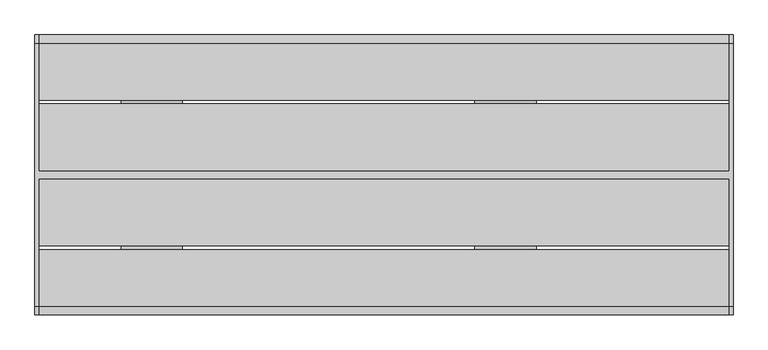
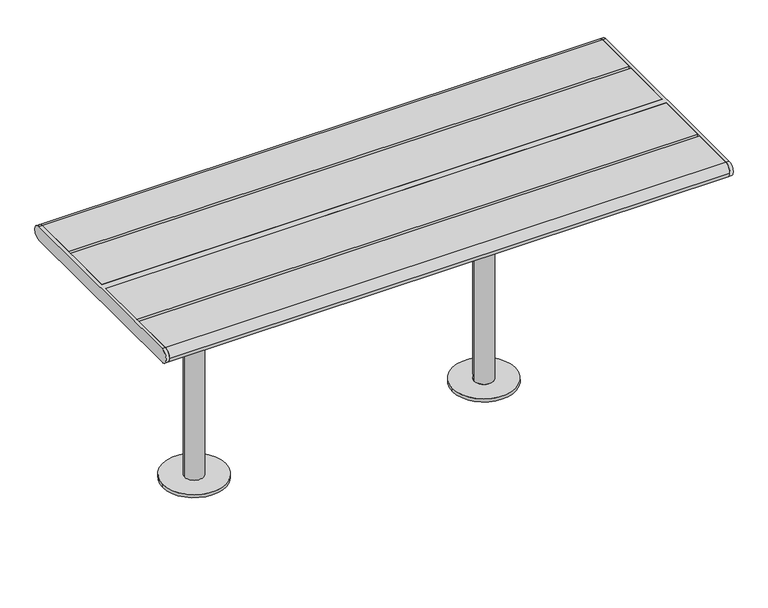
"""IFC4 building model written with IfcOpenShell, lengths in millimetres: furniture geometry."""

from ifc_helpers import new_model, si_unit, point, frame, frame_2d, origin, place, context, project, spatial, polyline, circle_curve, trimmed, segment, composite_curve, outline, extrude, source, transform, mapped, element, save
from ifc_brep_helpers import plane_surface, cylinder_surface, advanced_brep


def furniture_6cbde0df(model_context):
    return source(origin(), model_context, "Body", "SolidModel", [
        advanced_brep(
        [(534.9914087, 125.0, 687.0), (534.9914087, 299.0, 687.0), (534.9914087, 299.0, 695.0), (534.9914087, -299.0, 695.0), (534.9914087, -299.0, 687.0), (534.9914087, -125.0, 687.0), (534.9914087, -125.0, 679.0), (534.9914087, 125.0, 679.0), (384.9914087, 125.0, 687.0), (384.9914087, 299.0, 687.0), (376.9914087, 299.0, 687.0), (376.9914087, 299.0, 695.0), (376.9914087, -299.0, 695.0), (376.9914087, -299.0, 687.0), (384.9914087, -299.0, 687.0), (384.9914087, -125.0, 687.0), (384.9914087, -125.0, 679.0), (384.9914087, 125.0, 679.0), (489.9914087, 0.0, 679.0), (429.9914087, 0.0, 679.0), (376.9914087, 45.0, 644.0), (376.9914087, -45.0, 644.0), (384.9914087, 45.0, 644.0), (384.9914087, -45.0, 644.0), (429.9914087, 0.0, 10.0), (489.9914087, 0.0, 10.0), (559.9914087, 0.0, 10.0), (359.9914087, 0.0, 10.0), (559.9914087, 0.0, 0.0), (359.9914087, 0.0, 0.0)],
        [
            (0, 1),
            (1, 2),
            (2, 3),
            (3, 4),
            (4, 5),
            (5, 6),
            (6, 7),
            (7, 0),
            (0, 8),
            (8, 9),
            (9, 1),
            (9, 10),
            (10, 11),
            (11, 2),
            (11, 12),
            (12, 3),
            (12, 13),
            (13, 14),
            (14, 4),
            (14, 15),
            (15, 5),
            (15, 16),
            (16, 6),
            (16, 17),
            (17, 7),
            (18, 19, circle_curve(frame((459.9914087, 0.0, 679.0), z_axis=(0.0, 0.0, 1.0), x_axis=(-1.0, 0.0, 0.0)), 30.0)),
            (19, 18, circle_curve(frame((459.9914087, 0.0, 679.0), z_axis=(0.0, 0.0, 1.0), x_axis=(-1.0, 0.0, 0.0)), 30.0)),
            (17, 8),
            (20, 21),
            (21, 13),
            (10, 20),
            (22, 9),
            (14, 23),
            (23, 22),
            (22, 20),
            (21, 23),
            (19, 24),
            (24, 25, circle_curve(frame((459.9914087, 0.0, 10.0), z_axis=(0.0, 0.0, 1.0), x_axis=(-1.0, 0.0, 0.0)), 30.0)),
            (25, 18),
            (25, 24, circle_curve(frame((459.9914087, 0.0, 10.0), z_axis=(0.0, 0.0, 1.0), x_axis=(-1.0, 0.0, 0.0)), 30.0)),
            (26, 27, circle_curve(frame((459.9914087, 0.0, 10.0), z_axis=(0.0, 0.0, 1.0), x_axis=(-1.0, 0.0, 0.0)), 100.0)),
            (27, 26, circle_curve(frame((459.9914087, 0.0, 10.0), z_axis=(0.0, 0.0, 1.0), x_axis=(-1.0, 0.0, 0.0)), 100.0)),
            (28, 29, circle_curve(frame((459.9914087, 0.0, 0.0), z_axis=(0.0, 0.0, -1.0), x_axis=(-1.0, 0.0, 0.0)), 100.0)),
            (29, 28, circle_curve(frame((459.9914087, 0.0, 0.0), z_axis=(0.0, 0.0, -1.0), x_axis=(-1.0, 0.0, 0.0)), 100.0)),
            (27, 29),
            (28, 26),
        ],
        [
            plane_surface(frame((534.9914087, 299.0, 687.0), z_axis=(1.0, 0.0, 0.0), x_axis=(0.0, -1.0, 0.0))),
            plane_surface(frame((384.9914087, 125.0, 687.0), z_axis=(0.0, 0.0, -1.0), x_axis=(1.0, 0.0, 0.0))),
            plane_surface(frame((384.9914087, 299.0, 687.0), z_axis=(0.0, 1.0, 0.0), x_axis=(1.0, 0.0, 0.0))),
            plane_surface(frame((384.9914087, 299.0, 695.0), z_axis=(0.0, 0.0, 1.0), x_axis=(1.0, 0.0, 0.0))),
            plane_surface(frame((384.9914087, -299.0, 695.0), z_axis=(0.0, -1.0, 0.0), x_axis=(1.0, 0.0, 0.0))),
            plane_surface(frame((384.9914087, -299.0, 687.0), z_axis=(0.0, 0.0, -1.0), x_axis=(1.0, 0.0, 0.0))),
            plane_surface(frame((384.9914087, -125.0, 687.0), z_axis=(0.0, -1.0, 0.0), x_axis=(1.0, 0.0, 0.0))),
            plane_surface(frame((384.9914087, -125.0, 679.0), z_axis=(0.0, 0.0, -1.0), x_axis=(1.0, 0.0, 0.0))),
            plane_surface(frame((384.9914087, 125.0, 679.0), z_axis=(0.0, 1.0, 0.0), x_axis=(1.0, 0.0, 0.0))),
            plane_surface(frame((376.9914087, 299.0, 687.0), z_axis=(-1.0, 0.0, 0.0), x_axis=(0.0, 0.9859710587294898, 0.1669163603360949))),
            plane_surface(frame((384.9914087, 299.0, 687.0), z_axis=(1.0, 0.0, 0.0), x_axis=(0.0, -0.9859710587294898, -0.1669163603360949))),
            plane_surface(frame((376.9914087, 45.0, 644.0), z_axis=(0.0, 0.1669163603360949, -0.9859710587294898), x_axis=(1.0, 0.0, 0.0))),
            plane_surface(frame((376.9914087, -299.0, 687.0), z_axis=(0.0, -0.16691636033609472, -0.9859710587294899), x_axis=(1.0, 0.0, 0.0))),
            plane_surface(frame((376.9914087, -45.0, 644.0), z_axis=(0.0, 0.0, -1.0), x_axis=(1.0, 0.0, 0.0))),
            cylinder_surface(frame((459.9914087, 0.0, 10.0), z_axis=(0.0, 0.0, 1.0), x_axis=(-1.0, 0.0, 0.0)), 30.0),
            plane_surface(frame((359.9914087, 0.0, 10.0), z_axis=(0.0, 0.0, 1.0), x_axis=(0.0, 1.0, 0.0))),
            plane_surface(frame((359.9914087, 0.0, 0.0), z_axis=(0.0, 0.0, -1.0), x_axis=(0.0, -1.0, 0.0))),
            cylinder_surface(frame((459.9914087, 0.0, 0.0), z_axis=(0.0, 0.0, 1.0), x_axis=(-1.0, 0.0, 0.0)), 100.0),
        ],
        [
            (0, [[1, 2, 3, 4, 5, 6, 7, 8]]),
            (1, [[9, 10, 11, -1]]),
            (2, [[-11, 12, 13, 14, -2]]),
            (3, [[-14, 15, 16, -3]]),
            (4, [[-16, 17, 18, 19, -4]]),
            (5, [[-19, 20, 21, -5]]),
            (6, [[-21, 22, 23, -6]]),
            (7, [[-23, 24, 25, -7], [26, 27]]),
            (8, [[-25, 28, -9, -8]]),
            (9, [[29, 30, -17, -15, -13, 31]]),
            (10, [[32, -10, -28, -24, -22, -20, 33, 34]]),
            (11, [[-12, -32, 35, -31]]),
            (12, [[36, -33, -18, -30]]),
            (13, [[-35, -34, -36, -29]]),
            (14, [[-27, 37, 38, 39]]),
            (14, [[40, -37, -26, -39]]),
            (15, [[41, 42], [-40, -38]]),
            (16, [[43, 44]]),
            (17, [[45, -43, 46, -42]]),
            (17, [[-46, -44, -45, -41]]),
        ],
    ),
        advanced_brep(
        [(-534.9914087, 125.0, 687.0), (-534.9914087, 125.0, 679.0), (-534.9914087, -125.0, 679.0), (-534.9914087, -125.0, 687.0), (-534.9914087, -299.0, 687.0), (-534.9914087, -299.0, 695.0), (-534.9914087, 299.0, 695.0), (-534.9914087, 299.0, 687.0), (-384.9914087, 299.0, 687.0), (-384.9914087, 125.0, 687.0), (-376.9914087, 299.0, 695.0), (-376.9914087, 299.0, 687.0), (-376.9914087, -299.0, 695.0), (-384.9914087, -299.0, 687.0), (-376.9914087, -299.0, 687.0), (-384.9914087, -125.0, 687.0), (-384.9914087, -125.0, 679.0), (-384.9914087, 125.0, 679.0), (-489.9914087, 0.0, 679.0), (-429.9914087, 0.0, 679.0), (-376.9914087, 45.0, 644.0), (-376.9914087, -45.0, 644.0), (-384.9914087, 45.0, 644.0), (-384.9914087, -45.0, 644.0), (-489.9914087, 0.0, 10.0), (-429.9914087, 0.0, 10.0), (-559.9914087, 0.0, 10.0), (-359.9914087, 0.0, 10.0), (-559.9914087, 0.0, 0.0), (-359.9914087, 0.0, 0.0)],
        [
            (0, 1),
            (1, 2),
            (2, 3),
            (3, 4),
            (4, 5),
            (5, 6),
            (6, 7),
            (7, 0),
            (7, 8),
            (8, 9),
            (9, 0),
            (6, 10),
            (10, 11),
            (11, 8),
            (5, 12),
            (12, 10),
            (4, 13),
            (13, 14),
            (14, 12),
            (3, 15),
            (15, 13),
            (2, 16),
            (16, 15),
            (1, 17),
            (17, 16),
            (18, 19, circle_curve(frame((-459.9914087, 0.0, 679.0), z_axis=(0.0, 0.0, 1.0), x_axis=(1.0, 0.0, 0.0)), 30.0)),
            (19, 18, circle_curve(frame((-459.9914087, 0.0, 679.0), z_axis=(0.0, 0.0, 1.0), x_axis=(1.0, 0.0, 0.0)), 30.0)),
            (9, 17),
            (20, 11),
            (14, 21),
            (21, 20),
            (22, 23),
            (23, 13),
            (8, 22),
            (20, 22),
            (23, 21),
            (18, 24),
            (24, 25, circle_curve(frame((-459.9914087, 0.0, 10.0), z_axis=(0.0, 0.0, 1.0), x_axis=(1.0, 0.0, 0.0)), 30.0)),
            (25, 19),
            (25, 24, circle_curve(frame((-459.9914087, 0.0, 10.0), z_axis=(0.0, 0.0, 1.0), x_axis=(1.0, 0.0, 0.0)), 30.0)),
            (26, 27, circle_curve(frame((-459.9914087, 0.0, 10.0), z_axis=(0.0, 0.0, 1.0), x_axis=(1.0, 0.0, 0.0)), 100.0)),
            (27, 26, circle_curve(frame((-459.9914087, 0.0, 10.0), z_axis=(0.0, 0.0, 1.0), x_axis=(1.0, 0.0, 0.0)), 100.0)),
            (28, 29, circle_curve(frame((-459.9914087, 0.0, 0.0), z_axis=(0.0, 0.0, -1.0), x_axis=(1.0, 0.0, 0.0)), 100.0)),
            (29, 28, circle_curve(frame((-459.9914087, 0.0, 0.0), z_axis=(0.0, 0.0, -1.0), x_axis=(1.0, 0.0, 0.0)), 100.0)),
            (26, 28),
            (29, 27),
        ],
        [
            plane_surface(frame((-534.9914087, 299.0, 687.0), z_axis=(-1.0, 0.0, 0.0), x_axis=(0.0, -1.0, 0.0))),
            plane_surface(frame((-384.9914087, 125.0, 687.0), z_axis=(0.0, 0.0, -1.0), x_axis=(-1.0, 0.0, 0.0))),
            plane_surface(frame((-384.9914087, 299.0, 687.0), z_axis=(0.0, 1.0, 0.0), x_axis=(-1.0, 0.0, 0.0))),
            plane_surface(frame((-384.9914087, 299.0, 695.0), z_axis=(0.0, 0.0, 1.0), x_axis=(-1.0, 0.0, 0.0))),
            plane_surface(frame((-384.9914087, -299.0, 695.0), z_axis=(0.0, -1.0, 0.0), x_axis=(-1.0, 0.0, 0.0))),
            plane_surface(frame((-384.9914087, -299.0, 687.0), z_axis=(0.0, 0.0, -1.0), x_axis=(-1.0, 0.0, 0.0))),
            plane_surface(frame((-384.9914087, -125.0, 687.0), z_axis=(0.0, -1.0, 0.0), x_axis=(-1.0, 0.0, 0.0))),
            plane_surface(frame((-384.9914087, -125.0, 679.0), z_axis=(0.0, 0.0, -1.0), x_axis=(-1.0, 0.0, 0.0))),
            plane_surface(frame((-384.9914087, 125.0, 679.0), z_axis=(0.0, 1.0, 0.0), x_axis=(-1.0, 0.0, 0.0))),
            plane_surface(frame((-376.9914087, 299.0, 687.0), z_axis=(1.0, 0.0, 0.0), x_axis=(0.0, 0.9859710587294898, 0.1669163603360949))),
            plane_surface(frame((-384.9914087, 299.0, 687.0), z_axis=(-1.0, 0.0, 0.0), x_axis=(0.0, -0.9859710587294898, -0.1669163603360949))),
            plane_surface(frame((-376.9914087, 45.0, 644.0), z_axis=(0.0, 0.1669163603360949, -0.9859710587294898), x_axis=(-1.0, 0.0, 0.0))),
            plane_surface(frame((-376.9914087, -299.0, 687.0), z_axis=(0.0, -0.16691636033609472, -0.9859710587294899), x_axis=(-1.0, 0.0, 0.0))),
            plane_surface(frame((-376.9914087, -45.0, 644.0), z_axis=(0.0, 0.0, -1.0), x_axis=(-1.0, 0.0, 0.0))),
            cylinder_surface(frame((-459.9914087, 0.0, 10.0), z_axis=(0.0, 0.0, 1.0), x_axis=(1.0, 0.0, 0.0)), 30.0),
            plane_surface(frame((-359.9914087, 0.0, 10.0), z_axis=(0.0, 0.0, 1.0), x_axis=(0.0, 1.0, 0.0))),
            plane_surface(frame((-359.9914087, 0.0, 0.0), z_axis=(0.0, 0.0, -1.0), x_axis=(0.0, -1.0, 0.0))),
            cylinder_surface(frame((-459.9914087, 0.0, 0.0), z_axis=(0.0, 0.0, 1.0), x_axis=(1.0, 0.0, 0.0)), 100.0),
        ],
        [
            (0, [[1, 2, 3, 4, 5, 6, 7, 8]]),
            (1, [[-8, 9, 10, 11]]),
            (2, [[-7, 12, 13, 14, -9]]),
            (3, [[-6, 15, 16, -12]]),
            (4, [[-5, 17, 18, 19, -15]]),
            (5, [[-4, 20, 21, -17]]),
            (6, [[-3, 22, 23, -20]]),
            (7, [[-2, 24, 25, -22], [26, 27]]),
            (8, [[-1, -11, 28, -24]]),
            (9, [[29, -13, -16, -19, 30, 31]]),
            (10, [[32, 33, -21, -23, -25, -28, -10, 34]]),
            (11, [[-29, 35, -34, -14]]),
            (12, [[-30, -18, -33, 36]]),
            (13, [[-31, -36, -32, -35]]),
            (14, [[37, 38, 39, -26]]),
            (14, [[-37, -27, -39, 40]]),
            (15, [[41, 42], [-38, -40]]),
            (16, [[43, 44]]),
            (17, [[-41, 45, -44, 46]]),
            (17, [[-42, -46, -43, -45]]),
        ],
    ),
        advanced_brep(
        [(1043.0, 338.5, 740.0), (1043.0, -338.5, 740.0), (1043.0, -338.5, 695.0), (1043.0, 338.5, 695.0), (1033.0, 338.5, 740.0), (1033.0, 338.5, 695.0), (1033.0, 10.0, 695.0), (1033.0, 10.0, 740.0), (1033.0, -338.5, 695.0), (1033.0, -338.5, 740.0), (1033.0, -10.0, 740.0), (1033.0, -10.0, 695.0), (-747.0, 10.0, 740.0), (-747.0, 338.5, 740.0), (-757.0, 338.5, 740.0), (-757.0, -338.5, 740.0), (-747.0, -338.5, 740.0), (-747.0, -10.0, 740.0), (-747.0, -10.0, 695.0), (-747.0, -338.5, 695.0), (-757.0, -338.5, 695.0), (-757.0, 338.5, 695.0), (-747.0, 338.5, 695.0), (-747.0, 10.0, 695.0)],
        [
            (0, 1),
            (1, 2, circle_curve(frame((1043.0, -338.5, 717.5), z_axis=(1.0, 0.0, 0.0), x_axis=(0.0, -1.0, 0.0)), 22.5)),
            (2, 3),
            (3, 0, circle_curve(frame((1043.0, 338.5, 717.5), z_axis=(1.0, 0.0, 0.0), x_axis=(0.0, -1.0, 0.0)), 22.5)),
            (4, 5, circle_curve(frame((1033.0, 338.5, 717.5), z_axis=(-1.0, 0.0, 0.0), x_axis=(0.0, -1.0, 0.0)), 22.5)),
            (5, 6),
            (6, 7),
            (7, 4),
            (8, 9, circle_curve(frame((1033.0, -338.5, 717.5), z_axis=(-1.0, 0.0, 0.0), x_axis=(0.0, -1.0, 0.0)), 22.5)),
            (9, 10),
            (10, 11),
            (11, 8),
            (0, 4),
            (7, 12),
            (12, 13),
            (13, 14),
            (14, 15),
            (15, 16),
            (16, 17),
            (17, 10),
            (9, 1),
            (8, 2),
            (11, 18),
            (18, 19),
            (19, 20),
            (20, 21),
            (21, 22),
            (22, 23),
            (23, 6),
            (5, 3),
            (17, 18),
            (23, 12),
            (16, 19, circle_curve(frame((-747.0, -338.5, 717.5), z_axis=(1.0, 0.0, 0.0), x_axis=(0.0, -1.0, 0.0)), 22.5)),
            (22, 13, circle_curve(frame((-747.0, 338.5, 717.5), z_axis=(1.0, 0.0, 0.0), x_axis=(0.0, -1.0, 0.0)), 22.5)),
            (14, 21, circle_curve(frame((-757.0, 338.5, 717.5), z_axis=(-1.0, 0.0, 0.0), x_axis=(0.0, -1.0, 0.0)), 22.5)),
            (20, 15, circle_curve(frame((-757.0, -338.5, 717.5), z_axis=(-1.0, 0.0, 0.0), x_axis=(0.0, -1.0, 0.0)), 22.5)),
        ],
        [
            plane_surface(frame((1043.0, -338.5, 740.0), z_axis=(1.0, 0.0, 0.0), x_axis=(0.0, -1.0, 0.0))),
            plane_surface(frame((1033.0, -338.5, 740.0), z_axis=(-1.0, 0.0, 0.0), x_axis=(0.0, 1.0, 0.0))),
            plane_surface(frame((1043.0, 338.5, 740.0), z_axis=(0.0, 0.0, 1.0), x_axis=(-1.0, 0.0, 0.0))),
            cylinder_surface(frame((1033.0, -338.5, 717.5), z_axis=(1.0, 0.0, 0.0), x_axis=(0.0, -1.0, 0.0)), 22.5),
            plane_surface(frame((1043.0, -338.5, 695.0), z_axis=(0.0, 0.0, -1.0), x_axis=(-1.0, 0.0, 0.0))),
            cylinder_surface(frame((1033.0, 338.5, 717.5), z_axis=(1.0, 0.0, 0.0), x_axis=(0.0, -1.0, 0.0)), 22.5),
            plane_surface(frame((1033.0, -10.0, 740.0), z_axis=(0.0, -1.0, 0.0), x_axis=(-1.0, 0.0, 0.0))),
            plane_surface(frame((1033.0, 10.0, 695.0), z_axis=(0.0, 1.0, 0.0), x_axis=(-1.0, 0.0, 0.0))),
            plane_surface(frame((-747.0, -338.5, 740.0), z_axis=(1.0, 0.0, 0.0), x_axis=(0.0, -1.0, 0.0))),
            plane_surface(frame((-757.0, -338.5, 740.0), z_axis=(-1.0, 0.0, 0.0), x_axis=(0.0, 1.0, 0.0))),
            cylinder_surface(frame((-757.0, -338.5, 717.5), z_axis=(1.0, 0.0, 0.0), x_axis=(0.0, -1.0, 0.0)), 22.5),
            cylinder_surface(frame((-757.0, 338.5, 717.5), z_axis=(1.0, 0.0, 0.0), x_axis=(0.0, -1.0, 0.0)), 22.5),
        ],
        [
            (0, [[1, 2, 3, 4]]),
            (1, [[5, 6, 7, 8]]),
            (1, [[9, 10, 11, 12]]),
            (2, [[-1, 13, -8, 14, 15, 16, 17, 18, 19, 20, -10, 21]]),
            (3, [[-2, -21, -9, 22]]),
            (4, [[-3, -22, -12, 23, 24, 25, 26, 27, 28, 29, -6, 30]]),
            (5, [[-4, -30, -5, -13]]),
            (6, [[-20, 31, -23, -11]]),
            (7, [[-29, 32, -14, -7]]),
            (8, [[33, -24, -31, -19]]),
            (8, [[34, -15, -32, -28]]),
            (9, [[35, -26, 36, -17]]),
            (10, [[-33, -18, -36, -25]]),
            (11, [[-34, -27, -35, -16]]),
        ],
    ),
        extrude(outline(composite_curve([segment(trimmed(circle_curve(frame_2d((338.5, 717.5)), 22.5), [point((338.5, 740.0))], [point((338.5, 695.0))], False, "CARTESIAN"), True, "CONTINUOUS"), segment(polyline([(338.5, 695.0), (193.0, 695.0), (193.0, 740.0), (338.5, 740.0)]), True, "CONTINUOUS")], self_intersect=False)), frame((-747.0, 0.0, 0.0), z_axis=(1.0, 0.0, 0.0), x_axis=(0.0, 1.0, 0.0)), (0.0, 0.0, 1.0), 1780.0),
        extrude(outline(composite_curve([segment(polyline([(-193.0, 695.0), (-338.5, 695.0)]), True, "CONTINUOUS"), segment(trimmed(circle_curve(frame_2d((-338.5, 717.5)), 22.5), [point((-338.5, 695.0))], [point((-361.0, 717.5))], False, "CARTESIAN"), True, "CONTINUOUS"), segment(trimmed(circle_curve(frame_2d((-338.5, 717.5)), 22.5), [point((-361.0, 717.5))], [point((-338.5, 740.0))], False, "CARTESIAN"), True, "CONTINUOUS"), segment(polyline([(-338.5, 740.0), (-193.0, 740.0), (-193.0, 695.0)]), True, "CONTINUOUS")], self_intersect=False)), frame((-747.0, 0.0, 0.0), z_axis=(1.0, 0.0, 0.0), x_axis=(0.0, 1.0, 0.0)), (0.0, 0.0, 1.0), 1780.0),
        extrude(outline(polyline([(1033.0, 183.0), (1033.0, 10.0), (-747.0, 10.0), (-747.0, 183.0), (1033.0, 183.0)])), frame((0.0, 0.0, 695.0), z_axis=(0.0, 0.0, 1.0), x_axis=(1.0, 0.0, 0.0)), (0.0, 0.0, 1.0), 45.0),
        extrude(outline(polyline([(1033.0, -10.0), (1033.0, -183.0), (-747.0, -183.0), (-747.0, -10.0), (1033.0, -10.0)])), frame((0.0, 0.0, 695.0), z_axis=(0.0, 0.0, 1.0), x_axis=(1.0, 0.0, 0.0)), (0.0, 0.0, 1.0), 45.0),
    ])


if __name__ == "__main__":
    model = new_model("IFC4")
    model_context = context("Model", 3, world=origin())
    ifc_project = project(units=[si_unit("LENGTHUNIT", "METRE", prefix="MILLI")], contexts=[model_context])
    site = spatial("IfcSite", under=ifc_project)
    building = spatial("IfcBuilding", under=site)
    placement = place(None, origin())
    furniture_shape = furniture_6cbde0df(model_context)
    element("IfcFurniture", 1, at=placement, inside=building, context=model_context, shape_type="MappedRepresentation", body=[
        mapped(furniture_shape, transform((0.0, 0.0, 0.0), x_axis=(1.0, 0.0, 0.0), y_axis=(0.0, 1.0, 0.0), z_axis=(0.0, 0.0, 1.0))),
    ])
    save(model, "model.ifc")
